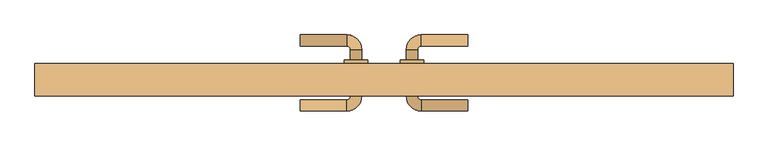
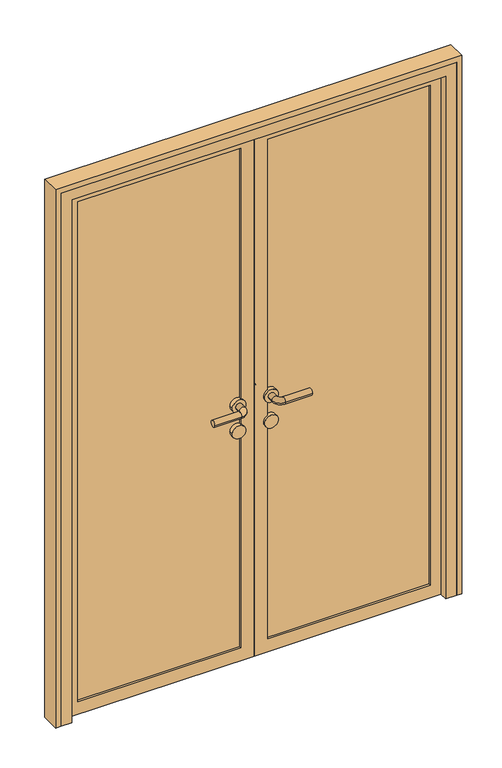
"""IFC4 building model written with IfcOpenShell, lengths in millimetres: door geometry."""

import ifcopenshell
import ifcopenshell.guid

model = None  # the IFC model being written
_history = None  # IfcOwnerHistory: only IFC2X3 demands one
_inside = {}  # id of a spatial element -> (the spatial element, [elements in it])
_under = {}  # id of a project, library or spatial element -> (it, [spatial elements below it])
_declared = {}  # id of a project -> (the project, [libraries it declares])
_typed = {}  # id of a type object -> (the type object, [elements of that type])
_made_of = {}  # id of a material, layer set ... -> (it, [elements and type objects made of it])


def new_model(schema):
    """Start an empty IFC model of exactly this schema.

    Asked for "IFC4X3", IfcOpenShell would pick the latest addendum, in which some entities
    have other attributes; the version numbers below select the first issue.
    IFC2X3 requires an IfcOwnerHistory on every rooted entity: one is made here for all.
    """
    global model, _history
    if schema == "IFC4X3":
        model = ifcopenshell.file(schema_version=(4, 3, 0, 0))
    else:
        model = ifcopenshell.file(schema=schema)
    _inside.clear()
    _under.clear()
    _declared.clear()
    _typed.clear()
    _made_of.clear()
    _history = None
    if model.schema == "IFC2X3":
        org = make("IfcOrganization", Name="unknown")
        user = make(
            "IfcPersonAndOrganization",
            ThePerson=make("IfcPerson", FamilyName="unknown"),
            TheOrganization=org,
        )
        app = make(
            "IfcApplication",
            ApplicationDeveloper=org,
            Version="unknown",
            ApplicationFullName="unknown",
            ApplicationIdentifier="unknown",
        )
        _history = make(
            "IfcOwnerHistory",
            OwningUser=user,
            OwningApplication=app,
            ChangeAction="ADDED",
            CreationDate=0,
        )
    return model


def make(cls, **values):
    """One entity of the class cls with the attributes given. An attribute that is None is left unset."""
    return model.create_entity(
        cls, **{name: value for name, value in values.items() if value is not None}
    )


def rooted(cls, **values):
    """An entity with a GlobalId (a new one), such as an element, a storey or a relation."""
    return make(cls, GlobalId=ifcopenshell.guid.new(), OwnerHistory=_history, **values)


def si_unit(unit_type, name, prefix=None):
    """IfcSIUnit, for example si_unit("LENGTHUNIT", "METRE", prefix="MILLI")."""
    return make("IfcSIUnit", UnitType=unit_type, Prefix=prefix, Name=name)


def assignment(units):
    """IfcUnitAssignment: the units of a project."""
    return None if units is None else make("IfcUnitAssignment", Units=units)


def point(xyz):
    """IfcCartesianPoint."""
    return None if xyz is None else make("IfcCartesianPoint", Coordinates=xyz)


def direction(xyz):
    """IfcDirection."""
    return None if xyz is None else make("IfcDirection", DirectionRatios=xyz)


def frame(location, z_axis=None, x_axis=None):
    """IfcAxis2Placement3D, a coordinate frame: its origin and axes. An axis left out is left unset."""
    return make(
        "IfcAxis2Placement3D",
        Location=point(location),
        Axis=direction(z_axis),
        RefDirection=direction(x_axis),
    )


def frame_2d(location, x_axis=None):
    """IfcAxis2Placement2D, a coordinate frame in the plane: its origin and x axis."""
    return make(
        "IfcAxis2Placement2D", Location=point(location), RefDirection=direction(x_axis)
    )


def origin():
    """The frame at (0, 0, 0) with its axes left unset."""
    return frame((0.0, 0.0, 0.0))


def place(relative_to, where):
    """IfcLocalPlacement: puts the frame where relative to a parent placement (None: the world)."""
    return make(
        "IfcLocalPlacement", PlacementRelTo=relative_to, RelativePlacement=where
    )


def context(
    kind, dimensions, precision=None, world=None, true_north=None, identifier=None
):
    """IfcGeometricRepresentationContext, for example the 3D "Model" context."""
    return make(
        "IfcGeometricRepresentationContext",
        ContextIdentifier=identifier,
        ContextType=kind,
        CoordinateSpaceDimension=dimensions,
        Precision=precision,
        WorldCoordinateSystem=world,
        TrueNorth=true_north,
    )


def project(units=None, contexts=None):
    """IfcProject with its units and contexts."""
    return rooted(
        "IfcProject",
        Name="project",
        RepresentationContexts=contexts,
        UnitsInContext=assignment(units),
    )


def spatial(cls, under=None, at=None, **own):
    """A site, building, storey or space (cls), placed at a placement, below another one or the project."""
    s = rooted(cls, ObjectPlacement=at, **own)
    if under is not None:
        _under.setdefault(under.id(), (under, []))[1].append(s)
    return s


def polyline(points):
    """IfcPolyline through the points."""
    return make("IfcPolyline", Points=[point(p) for p in points])


def circle_curve(where, radius):
    """IfcCircle in the frame where."""
    return make("IfcCircle", Position=where, Radius=radius)


def ellipse_curve(where, semi_axis1, semi_axis2):
    """IfcEllipse in the frame where."""
    return make(
        "IfcEllipse", Position=where, SemiAxis1=semi_axis1, SemiAxis2=semi_axis2
    )


def trimmed(basis, trim1, trim2, sense, master):
    """IfcTrimmedCurve: the piece of a basis curve between two trims."""
    return make(
        "IfcTrimmedCurve",
        BasisCurve=basis,
        Trim1=trim1,
        Trim2=trim2,
        SenseAgreement=sense,
        MasterRepresentation=master,
    )


def segment(curve, same_sense, transition):
    """IfcCompositeCurveSegment."""
    return make(
        "IfcCompositeCurveSegment",
        Transition=transition,
        SameSense=same_sense,
        ParentCurve=curve,
    )


def composite_curve(segments, self_intersect=None):
    """IfcCompositeCurve: segments joined end to end."""
    return make("IfcCompositeCurve", Segments=segments, SelfIntersect=self_intersect)


def outline(outer, holes=None, kind="AREA"):
    """IfcArbitraryClosedProfileDef: a profile drawn as a closed curve; with holes, ...WithVoids."""
    if holes is None:
        return make("IfcArbitraryClosedProfileDef", ProfileType=kind, OuterCurve=outer)
    return make(
        "IfcArbitraryProfileDefWithVoids",
        ProfileType=kind,
        OuterCurve=outer,
        InnerCurves=holes,
    )


def extrude(swept, where, along, depth):
    """IfcExtrudedAreaSolid: the profile swept, set in the frame where, extruded along a direction by depth."""
    return make(
        "IfcExtrudedAreaSolid",
        SweptArea=swept,
        Position=where,
        ExtrudedDirection=direction(along),
        Depth=depth,
    )


def faces_of(points, faces, orient=None, outer=None):
    """IfcFace entities. A face is a list of loops; a loop is a list of indices into points, from 0.

    orient and outer hold one flag for each loop. By default every Orientation is true, the
    first loop of a face is its IfcFaceOuterBound and the others are IfcFaceBound.
    """
    made = []
    for i, loops in enumerate(faces):
        bounds = []
        for j, loop in enumerate(loops):
            is_outer = j == 0 if outer is None else outer[i][j]
            bounds.append(
                make(
                    "IfcFaceOuterBound" if is_outer else "IfcFaceBound",
                    Bound=make("IfcPolyLoop", Polygon=[points[k] for k in loop]),
                    Orientation=True if orient is None else orient[i][j],
                )
            )
        made.append(make("IfcFace", Bounds=bounds))
    return made


def faceted_brep(points, faces, orient=None, outer=None, voids=None):
    """IfcFacetedBrep: a solid bounded by flat faces; with voids (closed shells), ...WithVoids."""
    shared = [point(p) for p in points]
    hull = make("IfcClosedShell", CfsFaces=faces_of(shared, faces, orient, outer))
    if voids is None:
        return make("IfcFacetedBrep", Outer=hull)
    return make(
        "IfcFacetedBrepWithVoids",
        Outer=hull,
        Voids=[
            make(cls, CfsFaces=faces_of(shared, fs, o, b)) for cls, fs, o, b in voids
        ],
    )


def shape(context_of_items, identifier, shape_type, items):
    """IfcShapeRepresentation: the items that make up one representation, for example the "Body"."""
    return make(
        "IfcShapeRepresentation",
        ContextOfItems=context_of_items,
        RepresentationIdentifier=identifier,
        RepresentationType=shape_type,
        Items=items,
    )


def source(mapping_origin, context_of_items, identifier, shape_type, items):
    """IfcRepresentationMap: a shape defined once, which mapped items show again and again."""
    return make(
        "IfcRepresentationMap",
        MappingOrigin=mapping_origin,
        MappedRepresentation=shape(context_of_items, identifier, shape_type, items),
    )


def transform(
    local_origin,
    x_axis=None,
    y_axis=None,
    z_axis=None,
    scale=None,
    scale2=None,
    scale3=None,
    uniform=True,
):
    """IfcCartesianTransformationOperator3D, or its non-uniform kind. x_axis, y_axis, z_axis: its Axis1, 2, 3."""
    if uniform:
        return make(
            "IfcCartesianTransformationOperator3D",
            Axis1=direction(x_axis),
            Axis2=direction(y_axis),
            LocalOrigin=point(local_origin),
            Scale=scale,
            Axis3=direction(z_axis),
        )
    return make(
        "IfcCartesianTransformationOperator3DnonUniform",
        Axis1=direction(x_axis),
        Axis2=direction(y_axis),
        LocalOrigin=point(local_origin),
        Scale=scale,
        Axis3=direction(z_axis),
        Scale2=scale2,
        Scale3=scale3,
    )


def mapped(mapping_source, mapping_target):
    """IfcMappedItem: shows the shape of a source again, moved by a transform."""
    return make(
        "IfcMappedItem", MappingSource=mapping_source, MappingTarget=mapping_target
    )


def made_of(thing, what):
    """Note that an element or type object is made of a material, layer set ...; save() writes the relation."""
    if what is not None:
        _made_of.setdefault(what.id(), (what, []))[1].append(thing)
    return thing


def element(
    cls,
    number,
    at=None,
    inside=None,
    cuts=None,
    type_object=None,
    material=None,
    context=None,
    identifier="Body",
    shape_type=None,
    held_by="IfcProductDefinitionShape",
    body=None,
    shapes=None,
    **own,
):
    """One element of the class cls, such as IfcWall. Its Tag is "e" and its number.

    at: its placement. inside: the storey or other place that contains it. cuts: it is an
    opening in that element (IfcRelVoidsElement). A single representation is given by context,
    identifier, shape_type and body (its items); several are given by shapes. held_by: the class
    of the entity that holds the representations. save() writes the other relations.
    """
    e = rooted(cls, Tag="e%d" % number, ObjectPlacement=at, **own)
    if body is not None:
        shapes = [shape(context, identifier, shape_type, body)]
    if shapes is not None:
        e.Representation = make(held_by, Representations=shapes)
    if inside is not None:
        _inside.setdefault(inside.id(), (inside, []))[1].append(e)
    if cuts is not None:
        rooted(
            "IfcRelVoidsElement", RelatingBuildingElement=cuts, RelatedOpeningElement=e
        )
    if type_object is not None:
        _typed.setdefault(type_object.id(), (type_object, []))[1].append(e)
    return made_of(e, material)


def aggregate(whole, parts):
    """IfcRelAggregates: a whole, such as a stair, and the parts it consists of."""
    return rooted("IfcRelAggregates", RelatingObject=whole, RelatedObjects=parts)


def save(model, path):
    """Write the relations noted so far, then the file.

    IfcRelAggregates (storeys below a building ...), IfcRelContainedInSpatialStructure (elements
    in a storey), IfcRelDefinesByType, IfcRelAssociatesMaterial and IfcRelDeclares: one each for
    every whole, place, type object, material and project.
    """
    for whole, parts in _under.values():
        aggregate(whole, parts)
    for where, things in _inside.values():
        rooted(
            "IfcRelContainedInSpatialStructure",
            RelatedElements=things,
            RelatingStructure=where,
        )
    for kind, things in _typed.values():
        rooted("IfcRelDefinesByType", RelatedObjects=things, RelatingType=kind)
    for what, things in _made_of.values():
        rooted("IfcRelAssociatesMaterial", RelatedObjects=things, RelatingMaterial=what)
    for by, libraries in _declared.values():
        rooted("IfcRelDeclares", RelatingContext=by, RelatedDefinitions=libraries)
    model.write(path)


def plane_surface(at):
    """IfcPlane: the flat surface through the origin of the frame at, square to its z axis."""
    return make("IfcPlane", Position=at)


def cylinder_surface(at, radius):
    """IfcCylindricalSurface: all points at the distance radius from the z axis of the frame at."""
    return make("IfcCylindricalSurface", Position=at, Radius=radius)


def revolved_surface(curve, axis_point, axis_direction):
    """IfcSurfaceOfRevolution: the curve turned about the line through axis_point along axis_direction."""
    return make(
        "IfcSurfaceOfRevolution",
        SweptCurve=make("IfcArbitraryOpenProfileDef", ProfileType="CURVE", Curve=curve),
        AxisPosition=make("IfcAxis1Placement", Location=point(axis_point), Axis=direction(axis_direction)),
    )


def advanced_brep(points, edges, surfaces, faces):
    """IfcAdvancedBrep: a solid bounded by faces that lie on surfaces and meet in shared edges.

    An edge is (start, end): straight between two places in points (the first is 0);
    or (start, end, curve); or (start, end, curve, False) where it runs against its curve.
    A face is (place in surfaces, loops), or (place, loops, False) where it looks against
    its surface's normal. A loop lists edges by number (the first is 1), with a minus sign
    where the edge is run from its end to its start. The first loop is the outer one.
    """
    corners = [point(p) for p in points]
    vertices = [make("IfcVertexPoint", VertexGeometry=c) for c in corners]
    made = []
    for start, end, *more in edges:
        made.append(
            make(
                "IfcEdgeCurve",
                EdgeStart=vertices[start],
                EdgeEnd=vertices[end],
                EdgeGeometry=more[0] if more else make("IfcPolyline", Points=[corners[start], corners[end]]),
                SameSense=more[1] if len(more) > 1 else True,
            )
        )
    hull = []
    for where, loops, *sense in faces:
        bounds = []
        for j, loop in enumerate(loops):
            ring = [make("IfcOrientedEdge", EdgeElement=made[abs(k) - 1], Orientation=k > 0) for k in loop]
            bounds.append(
                make(
                    "IfcFaceOuterBound" if j == 0 else "IfcFaceBound",
                    Bound=make("IfcEdgeLoop", EdgeList=ring),
                    Orientation=True,
                )
            )
        hull.append(make("IfcAdvancedFace", Bounds=bounds, FaceSurface=surfaces[where], SameSense=sense[0] if sense else True))
    return make("IfcAdvancedBrep", Outer=make("IfcClosedShell", CfsFaces=hull))


def door_fc06946f(model_context):
    return source(origin(), model_context, "Body", "SolidModel", [
        advanced_brep(
        [(-180.0, 112.0, 1000.0), (-180.0, 88.0, 1000.0), (-80.0, 88.0, 1000.0), (-80.0, 112.0, 1000.0), (-72.0, 80.0, 1000.0), (-48.0, 80.0, 1000.0), (-48.0, -20.0, 1000.0), (-48.0, 2.0, 1000.0), (-72.0, 2.0, 1000.0), (-72.0, -20.0, 1000.0), (-72.0, 58.0, 1000.0), (-48.0, 58.0, 1000.0), (-80.0, -28.0, 1000.0), (-80.0, -52.0, 1000.0), (-180.0, -52.0, 1000.0), (-180.0, -28.0, 1000.0), (-35.0, 58.0, 1000.0), (-85.0, 58.0, 1000.0), (-35.0, 2.0, 1000.0), (-85.0, 2.0, 1000.0)],
        [
            (0, 1, circle_curve(frame((-180.0, 100.0, 1000.0), z_axis=(-1.0, 0.0, 0.0), x_axis=(0.0, -1.0, 0.0)), 12.0)),
            (1, 0, circle_curve(frame((-180.0, 100.0, 1000.0), z_axis=(-1.0, 0.0, 0.0), x_axis=(0.0, -1.0, 0.0)), 12.0)),
            (1, 2),
            (2, 3, circle_curve(frame((-80.0, 100.0, 1000.0), z_axis=(-1.0, 0.0, 0.0), x_axis=(0.0, -1.0, 0.0)), 12.0)),
            (3, 0),
            (3, 2, circle_curve(frame((-80.0, 100.0, 1000.0), z_axis=(-1.0, 0.0, 0.0), x_axis=(0.0, -1.0, 0.0)), 12.0)),
            (2, 4, circle_curve(frame((-80.0, 80.0, 1000.0), z_axis=(0.0, 0.0, -1.0), x_axis=(0.0, 1.0, 0.0)), 8.0)),
            (4, 5, circle_curve(frame((-60.0, 80.0, 1000.0), z_axis=(0.0, 1.0, 0.0), x_axis=(-1.0, 0.0, 0.0)), 12.0)),
            (5, 3, circle_curve(frame((-80.0, 80.0, 1000.0), z_axis=(0.0, 0.0, 1.0), x_axis=(0.0, 1.0, 0.0)), 32.0)),
            (5, 4, circle_curve(frame((-60.0, 80.0, 1000.0), z_axis=(0.0, 1.0, 0.0), x_axis=(-1.0, 0.0, 0.0)), 12.0)),
            (6, 7),
            (7, 8, circle_curve(frame((-60.0, 2.0, 1000.0), z_axis=(0.0, -1.0, 0.0), x_axis=(-1.0, 0.0, 0.0)), 12.0)),
            (8, 9),
            (9, 6, circle_curve(frame((-60.0, -20.0, 1000.0), z_axis=(0.0, 1.0, 0.0), x_axis=(-1.0, 0.0, 0.0)), 12.0)),
            (4, 10),
            (10, 11, circle_curve(frame((-60.0, 58.0, 1000.0), z_axis=(0.0, 1.0, 0.0), x_axis=(-1.0, 0.0, 0.0)), 12.0)),
            (11, 5),
            (11, 10, circle_curve(frame((-60.0, 58.0, 1000.0), z_axis=(0.0, 1.0, 0.0), x_axis=(-1.0, 0.0, 0.0)), 12.0)),
            (8, 7, circle_curve(frame((-60.0, 2.0, 1000.0), z_axis=(0.0, -1.0, 0.0), x_axis=(-1.0, 0.0, 0.0)), 12.0)),
            (6, 9, circle_curve(frame((-60.0, -20.0, 1000.0), z_axis=(0.0, 1.0, 0.0), x_axis=(-1.0, 0.0, 0.0)), 12.0)),
            (9, 12, circle_curve(frame((-80.0, -20.0, 1000.0), z_axis=(0.0, 0.0, -1.0), x_axis=(1.0, 0.0, 0.0)), 8.0)),
            (12, 13, circle_curve(frame((-80.0, -40.0, 1000.0), z_axis=(1.0, 0.0, 0.0), x_axis=(0.0, 1.0, 0.0)), 12.0)),
            (13, 6, circle_curve(frame((-80.0, -20.0, 1000.0), z_axis=(0.0, 0.0, 1.0), x_axis=(1.0, 0.0, 0.0)), 32.0)),
            (13, 12, circle_curve(frame((-80.0, -40.0, 1000.0), z_axis=(1.0, 0.0, 0.0), x_axis=(0.0, 1.0, 0.0)), 12.0)),
            (14, 15, circle_curve(frame((-180.0, -40.0, 1000.0), z_axis=(-1.0, 0.0, 0.0), x_axis=(0.0, 1.0, 0.0)), 12.0)),
            (15, 14, circle_curve(frame((-180.0, -40.0, 1000.0), z_axis=(-1.0, 0.0, 0.0), x_axis=(0.0, 1.0, 0.0)), 12.0)),
            (12, 15),
            (14, 13),
            (16, 17, circle_curve(frame((-60.0, 58.0, 1000.0), z_axis=(0.0, 1.0, 0.0), x_axis=(-1.0, 0.0, 0.0)), 25.0)),
            (17, 16, circle_curve(frame((-60.0, 58.0, 1000.0), z_axis=(0.0, 1.0, 0.0), x_axis=(-1.0, 0.0, 0.0)), 25.0)),
            (18, 19, circle_curve(frame((-60.0, 2.0, 1000.0), z_axis=(0.0, -1.0, 0.0), x_axis=(-1.0, 0.0, 0.0)), 25.0)),
            (19, 18, circle_curve(frame((-60.0, 2.0, 1000.0), z_axis=(0.0, -1.0, 0.0), x_axis=(-1.0, 0.0, 0.0)), 25.0)),
            (16, 18),
            (19, 17),
        ],
        [
            plane_surface(frame((-180.0, 100.0, 1000.0), z_axis=(-1.0, 0.0, 0.0), x_axis=(0.0, 0.0, 1.0))),
            cylinder_surface(frame((-180.0, 100.0, 1000.0), z_axis=(-1.0, 0.0, 0.0), x_axis=(0.0, -1.0, 0.0)), 12.0),
            revolved_surface(trimmed(ellipse_curve(frame((-80.0, 100.0, 1000.0), z_axis=(1.0, 0.0, 0.0), x_axis=(0.0, -1.0, 0.0)), 12.0, 12.0), [point((-80.0, 112.0, 1000.0))], [point((-80.0, 88.0, 1000.0))], True, "CARTESIAN"), (-80.0, 80.0, 1000.0), (0.0, 0.0, 1.0)),
            revolved_surface(trimmed(ellipse_curve(frame((-80.0, 100.0, 1000.0), z_axis=(1.0, 0.0, 0.0), x_axis=(0.0, -1.0, 0.0)), 12.0, 12.0), [point((-80.0, 88.0, 1000.0))], [point((-80.0, 112.0, 1000.0))], True, "CARTESIAN"), (-80.0, 80.0, 1000.0), (0.0, 0.0, 1.0)),
            cylinder_surface(frame((-60.0, 80.0, 1000.0), z_axis=(0.0, 1.0, 0.0), x_axis=(-1.0, 0.0, 0.0)), 12.0),
            revolved_surface(trimmed(ellipse_curve(frame((-60.0, -20.0, 1000.0), z_axis=(0.0, -1.0, 0.0), x_axis=(-1.0, 0.0, 0.0)), 12.0, 12.0), [point((-48.0, -20.0, 1000.0))], [point((-72.0, -20.0, 1000.0))], True, "CARTESIAN"), (-80.0, -20.0, 1000.0), (0.0, 0.0, 1.0)),
            revolved_surface(trimmed(ellipse_curve(frame((-60.0, -20.0, 1000.0), z_axis=(0.0, -1.0, 0.0), x_axis=(-1.0, 0.0, 0.0)), 12.0, 12.0), [point((-72.0, -20.0, 1000.0))], [point((-48.0, -20.0, 1000.0))], True, "CARTESIAN"), (-80.0, -20.0, 1000.0), (0.0, 0.0, 1.0)),
            plane_surface(frame((-180.0, -40.0, 1000.0), z_axis=(-1.0, 0.0, 0.0), x_axis=(0.0, 0.0, 1.0))),
            cylinder_surface(frame((-80.0, -40.0, 1000.0), z_axis=(1.0, 0.0, 0.0), x_axis=(0.0, 1.0, 0.0)), 12.0),
            plane_surface(frame((-85.0, 58.0, 1000.0), z_axis=(0.0, 1.0, 0.0), x_axis=(0.0, 0.0, -1.0))),
            plane_surface(frame((-85.0, 2.0, 1000.0), z_axis=(0.0, -1.0, 0.0), x_axis=(0.0, 0.0, 1.0))),
            cylinder_surface(frame((-60.0, 58.0, 1000.0), z_axis=(0.0, -1.0, 0.0), x_axis=(-1.0, 0.0, 0.0)), 25.0),
        ],
        [
            (0, [[1, 2]]),
            (1, [[3, 4, 5, -2]]),
            (1, [[-5, 6, -3, -1]]),
            (2, [[7, 8, 9, -4]]),
            (3, [[-9, 10, -7, -6]]),
            (4, [[11, 12, 13, 14]]),
            (4, [[15, 16, 17, -8]]),
            (4, [[-17, 18, -15, -10]]),
            (4, [[-13, 19, -11, 20]]),
            (5, [[21, 22, 23, -14]]),
            (6, [[-23, 24, -21, -20]]),
            (7, [[25, 26]]),
            (8, [[27, -25, 28, -22]]),
            (8, [[-28, -26, -27, -24]]),
            (9, [[29, 30], [-18, -16]]),
            (10, [[31, 32], [-19, -12]]),
            (11, [[33, -32, 34, -29]]),
            (11, [[-34, -31, -33, -30]]),
        ],
    ),
        extrude(outline(composite_curve([segment(trimmed(circle_curve(frame_2d((900.0, -60.0)), 25.0), [point((900.0, -35.0))], [point((900.0, -85.0))], False, "CARTESIAN"), True, "CONTINUOUS"), segment(trimmed(circle_curve(frame_2d((900.0, -60.0)), 25.0), [point((900.0, -85.0))], [point((900.0, -35.0))], False, "CARTESIAN"), True, "CONTINUOUS")], self_intersect=False)), frame((0.0, 2.0, 0.0), z_axis=(0.0, 1.0, 0.0), x_axis=(0.0, 0.0, 1.0)), (0.0, 0.0, 1.0), 56.0),
        advanced_brep(
        [(180.0, 112.0, 1000.0), (180.0, 88.0, 1000.0), (80.0, 112.0, 1000.0), (80.0, 88.0, 1000.0), (48.0, 80.0, 1000.0), (72.0, 80.0, 1000.0), (48.0, 58.0, 1000.0), (72.0, 58.0, 1000.0), (48.0, -20.0, 1000.0), (72.0, -20.0, 1000.0), (72.0, 2.0, 1000.0), (48.0, 2.0, 1000.0), (80.0, -52.0, 1000.0), (80.0, -28.0, 1000.0), (180.0, -52.0, 1000.0), (180.0, -28.0, 1000.0), (35.0, 58.0, 1000.0), (85.0, 58.0, 1000.0), (35.0, 2.0, 1000.0), (85.0, 2.0, 1000.0)],
        [
            (0, 1, circle_curve(frame((180.0, 100.0, 1000.0), z_axis=(1.0, 0.0, 0.0), x_axis=(0.0, -1.0, 0.0)), 12.0)),
            (1, 0, circle_curve(frame((180.0, 100.0, 1000.0), z_axis=(1.0, 0.0, 0.0), x_axis=(0.0, -1.0, 0.0)), 12.0)),
            (0, 2),
            (2, 3, circle_curve(frame((80.0, 100.0, 1000.0), z_axis=(1.0, 0.0, 0.0), x_axis=(0.0, -1.0, 0.0)), 12.0)),
            (3, 1),
            (3, 2, circle_curve(frame((80.0, 100.0, 1000.0), z_axis=(1.0, 0.0, 0.0), x_axis=(0.0, -1.0, 0.0)), 12.0)),
            (2, 4, circle_curve(frame((80.0, 80.0, 1000.0), z_axis=(0.0, 0.0, 1.0), x_axis=(0.0, 1.0, 0.0)), 32.0)),
            (4, 5, circle_curve(frame((60.0, 80.0, 1000.0), z_axis=(0.0, 1.0, 0.0), x_axis=(1.0, 0.0, 0.0)), 12.0)),
            (5, 3, circle_curve(frame((80.0, 80.0, 1000.0), z_axis=(0.0, 0.0, -1.0), x_axis=(0.0, 1.0, 0.0)), 8.0)),
            (5, 4, circle_curve(frame((60.0, 80.0, 1000.0), z_axis=(0.0, 1.0, 0.0), x_axis=(1.0, 0.0, 0.0)), 12.0)),
            (4, 6),
            (6, 7, circle_curve(frame((60.0, 58.0, 1000.0), z_axis=(0.0, 1.0, 0.0), x_axis=(1.0, 0.0, 0.0)), 12.0)),
            (7, 5),
            (8, 9, circle_curve(frame((60.0, -20.0, 1000.0), z_axis=(0.0, 1.0, 0.0), x_axis=(1.0, 0.0, 0.0)), 12.0)),
            (9, 10),
            (10, 11, circle_curve(frame((60.0, 2.0, 1000.0), z_axis=(0.0, -1.0, 0.0), x_axis=(1.0, 0.0, 0.0)), 12.0)),
            (11, 8),
            (7, 6, circle_curve(frame((60.0, 58.0, 1000.0), z_axis=(0.0, 1.0, 0.0), x_axis=(1.0, 0.0, 0.0)), 12.0)),
            (9, 8, circle_curve(frame((60.0, -20.0, 1000.0), z_axis=(0.0, 1.0, 0.0), x_axis=(1.0, 0.0, 0.0)), 12.0)),
            (11, 10, circle_curve(frame((60.0, 2.0, 1000.0), z_axis=(0.0, -1.0, 0.0), x_axis=(1.0, 0.0, 0.0)), 12.0)),
            (8, 12, circle_curve(frame((80.0, -20.0, 1000.0), z_axis=(0.0, 0.0, 1.0), x_axis=(-1.0, 0.0, 0.0)), 32.0)),
            (12, 13, circle_curve(frame((80.0, -40.0, 1000.0), z_axis=(-1.0, 0.0, 0.0), x_axis=(0.0, 1.0, 0.0)), 12.0)),
            (13, 9, circle_curve(frame((80.0, -20.0, 1000.0), z_axis=(0.0, 0.0, -1.0), x_axis=(-1.0, 0.0, 0.0)), 8.0)),
            (13, 12, circle_curve(frame((80.0, -40.0, 1000.0), z_axis=(-1.0, 0.0, 0.0), x_axis=(0.0, 1.0, 0.0)), 12.0)),
            (14, 15, circle_curve(frame((180.0, -40.0, 1000.0), z_axis=(1.0, 0.0, 0.0), x_axis=(0.0, 1.0, 0.0)), 12.0)),
            (15, 14, circle_curve(frame((180.0, -40.0, 1000.0), z_axis=(1.0, 0.0, 0.0), x_axis=(0.0, 1.0, 0.0)), 12.0)),
            (12, 14),
            (15, 13),
            (16, 17, circle_curve(frame((60.0, 58.0, 1000.0), z_axis=(0.0, 1.0, 0.0), x_axis=(1.0, 0.0, 0.0)), 25.0)),
            (17, 16, circle_curve(frame((60.0, 58.0, 1000.0), z_axis=(0.0, 1.0, 0.0), x_axis=(1.0, 0.0, 0.0)), 25.0)),
            (18, 19, circle_curve(frame((60.0, 2.0, 1000.0), z_axis=(0.0, -1.0, 0.0), x_axis=(1.0, 0.0, 0.0)), 25.0)),
            (19, 18, circle_curve(frame((60.0, 2.0, 1000.0), z_axis=(0.0, -1.0, 0.0), x_axis=(1.0, 0.0, 0.0)), 25.0)),
            (17, 19),
            (18, 16),
        ],
        [
            plane_surface(frame((180.0, 100.0, 1000.0), z_axis=(1.0, 0.0, 0.0), x_axis=(0.0, 0.0, 1.0))),
            cylinder_surface(frame((180.0, 100.0, 1000.0), z_axis=(1.0, 0.0, 0.0), x_axis=(0.0, -1.0, 0.0)), 12.0),
            revolved_surface(trimmed(ellipse_curve(frame((80.0, 100.0, 1000.0), z_axis=(1.0, 0.0, 0.0), x_axis=(0.0, -1.0, 0.0)), 12.0, 12.0), [point((80.0, 112.0, 1000.0))], [point((80.0, 88.0, 1000.0))], True, "CARTESIAN"), (80.0, 80.0, 1000.0), (0.0, 0.0, 1.0)),
            revolved_surface(trimmed(ellipse_curve(frame((80.0, 100.0, 1000.0), z_axis=(1.0, 0.0, 0.0), x_axis=(0.0, -1.0, 0.0)), 12.0, 12.0), [point((80.0, 88.0, 1000.0))], [point((80.0, 112.0, 1000.0))], True, "CARTESIAN"), (80.0, 80.0, 1000.0), (0.0, 0.0, 1.0)),
            cylinder_surface(frame((60.0, 80.0, 1000.0), z_axis=(0.0, 1.0, 0.0), x_axis=(1.0, 0.0, 0.0)), 12.0),
            revolved_surface(trimmed(ellipse_curve(frame((60.0, -20.0, 1000.0), z_axis=(0.0, 1.0, 0.0), x_axis=(1.0, 0.0, 0.0)), 12.0, 12.0), [point((48.0, -20.0, 1000.0))], [point((72.0, -20.0, 1000.0))], True, "CARTESIAN"), (80.0, -20.0, 1000.0), (0.0, 0.0, 1.0)),
            revolved_surface(trimmed(ellipse_curve(frame((60.0, -20.0, 1000.0), z_axis=(0.0, 1.0, 0.0), x_axis=(1.0, 0.0, 0.0)), 12.0, 12.0), [point((72.0, -20.0, 1000.0))], [point((48.0, -20.0, 1000.0))], True, "CARTESIAN"), (80.0, -20.0, 1000.0), (0.0, 0.0, 1.0)),
            plane_surface(frame((180.0, -40.0, 1000.0), z_axis=(1.0, 0.0, 0.0), x_axis=(0.0, 0.0, 1.0))),
            cylinder_surface(frame((80.0, -40.0, 1000.0), z_axis=(-1.0, 0.0, 0.0), x_axis=(0.0, 1.0, 0.0)), 12.0),
            plane_surface(frame((85.0, 58.0, 1000.0), z_axis=(0.0, 1.0, 0.0), x_axis=(0.0, 0.0, -1.0))),
            plane_surface(frame((85.0, 2.0, 1000.0), z_axis=(0.0, -1.0, 0.0), x_axis=(0.0, 0.0, 1.0))),
            cylinder_surface(frame((60.0, 58.0, 1000.0), z_axis=(0.0, -1.0, 0.0), x_axis=(1.0, 0.0, 0.0)), 25.0),
        ],
        [
            (0, [[1, 2]]),
            (1, [[-1, 3, 4, 5]]),
            (1, [[-2, -5, 6, -3]]),
            (2, [[-4, 7, 8, 9]]),
            (3, [[-6, -9, 10, -7]]),
            (4, [[-8, 11, 12, 13]]),
            (4, [[14, 15, 16, 17]]),
            (4, [[-10, -13, 18, -11]]),
            (4, [[19, -17, 20, -15]]),
            (5, [[-14, 21, 22, 23]]),
            (6, [[-19, -23, 24, -21]]),
            (7, [[25, 26]]),
            (8, [[-22, 27, -26, 28]]),
            (8, [[-24, -28, -25, -27]]),
            (9, [[29, 30], [-12, -18]]),
            (10, [[31, 32], [-16, -20]]),
            (11, [[-30, 33, -31, 34]]),
            (11, [[-29, -34, -32, -33]]),
        ],
    ),
        extrude(outline(composite_curve([segment(trimmed(circle_curve(frame_2d((900.0, 60.0)), 25.0), [point((900.0, 35.0))], [point((900.0, 85.0))], False, "CARTESIAN"), True, "CONTINUOUS"), segment(trimmed(circle_curve(frame_2d((900.0, 60.0)), 25.0), [point((900.0, 85.0))], [point((900.0, 35.0))], False, "CARTESIAN"), True, "CONTINUOUS")], self_intersect=False)), frame((0.0, 2.0, 0.0), z_axis=(0.0, 1.0, 0.0), x_axis=(0.0, 0.0, 1.0)), (0.0, 0.0, 1.0), 56.0),
        extrude(outline(polyline([(-650.0, 42.0), (-50.0, 42.0), (-50.0, 18.0), (-650.0, 18.0), (-650.0, 42.0)])), frame((0.0, 0.0, 50.0), z_axis=(0.0, 0.0, 1.0), x_axis=(1.0, 0.0, 0.0)), (0.0, 0.0, 1.0), 1950.0),
        extrude(outline(polyline([(0.0, -700.0), (0.0, 0.0), (2050.0, 0.0), (2050.0, -700.0), (0.0, -700.0)]), holes=[polyline([(50.0, -50.0), (50.0, -650.0), (2000.0, -650.0), (2000.0, -50.0), (50.0, -50.0)])]), frame((0.0, 10.0, 0.0), z_axis=(0.0, 1.0, 0.0), x_axis=(0.0, 0.0, 1.0)), (0.0, 0.0, 1.0), 40.0),
        extrude(outline(polyline([(50.0, 42.0), (650.0, 42.0), (650.0, 18.0), (50.0, 18.0), (50.0, 42.0)])), frame((0.0, 0.0, 50.0), z_axis=(0.0, 0.0, 1.0), x_axis=(1.0, 0.0, 0.0)), (0.0, 0.0, 1.0), 1950.0),
        extrude(outline(polyline([(0.0, 0.0), (0.0, 700.0), (2050.0, 700.0), (2050.0, 0.0), (0.0, 0.0)]), holes=[polyline([(50.0, 650.0), (50.0, 50.0), (2000.0, 50.0), (2000.0, 650.0), (50.0, 650.0)])]), frame((0.0, 10.0, 0.0), z_axis=(0.0, 1.0, 0.0), x_axis=(0.0, 0.0, 1.0)), (0.0, 0.0, 1.0), 40.0),
        extrude(outline(polyline([(0.0, 750.0), (2100.0, 750.0), (2100.0, -750.0), (0.0, -750.0), (0.0, -730.0), (2080.0, -730.0), (2080.0, 730.0), (0.0, 730.0), (0.0, 750.0)])), frame((0.0, -20.0, 0.0), z_axis=(0.0, 1.0, 0.0), x_axis=(0.0, 0.0, 1.0)), (0.0, 0.0, 1.0), 70.0),
        faceted_brep([(-730.0, -20.0, 0.0), (-730.0, 50.0, 0.0), (-700.0, 50.0, 0.0), (-700.0, 10.0, 0.0), (-690.0, 10.0, 0.0), (-690.0, -20.0, 0.0), (-730.0, -20.0, 2080.0), (-730.0, 50.0, 2080.0), (730.0, 50.0, 2080.0), (730.0, 50.0, 0.0), (700.0, 50.0, 0.0), (700.0, 50.0, 2050.0), (-700.0, 50.0, 2050.0), (-700.0, 10.0, 2050.0), (700.0, 10.0, 2050.0), (700.0, 10.0, 0.0), (690.0, 10.0, 0.0), (690.0, 10.0, 2040.0), (-690.0, 10.0, 2040.0), (-690.0, -20.0, 2040.0), (690.0, -20.0, 2040.0), (690.0, -20.0, 0.0), (730.0, -20.0, 0.0), (730.0, -20.0, 2080.0)], [[[0, 1, 2, 3, 4, 5]], [[1, 0, 6, 7]], [[2, 1, 7, 8, 9, 10, 11, 12]], [[3, 2, 12, 13]], [[4, 3, 13, 14, 15, 16, 17, 18]], [[5, 4, 18, 19]], [[0, 5, 19, 20, 21, 22, 23, 6]], [[7, 6, 23, 8]], [[13, 12, 11, 14]], [[19, 18, 17, 20]], [[22, 21, 16, 15, 10, 9]], [[8, 23, 22, 9]], [[14, 11, 10, 15]], [[20, 17, 16, 21]]]),
    ])


if __name__ == "__main__":
    model = new_model("IFC4")
    model_context = context("Model", 3, world=origin())
    ifc_project = project(units=[si_unit("LENGTHUNIT", "METRE", prefix="MILLI")], contexts=[model_context])
    site = spatial("IfcSite", under=ifc_project)
    building = spatial("IfcBuilding", under=site)
    placement = place(None, origin())
    door_shape = door_fc06946f(model_context)
    element("IfcDoor", 1, at=placement, inside=building, context=model_context, shape_type="MappedRepresentation", body=[
        mapped(door_shape, transform((0.0, 0.0, 0.0), x_axis=(1.0, 0.0, 0.0), y_axis=(0.0, 1.0, 0.0), z_axis=(0.0, 0.0, 1.0))),
    ])
    save(model, "model.ifc")
